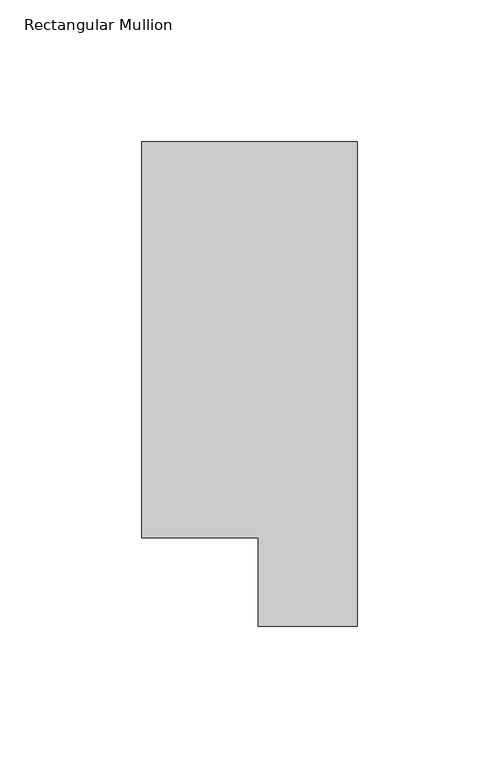
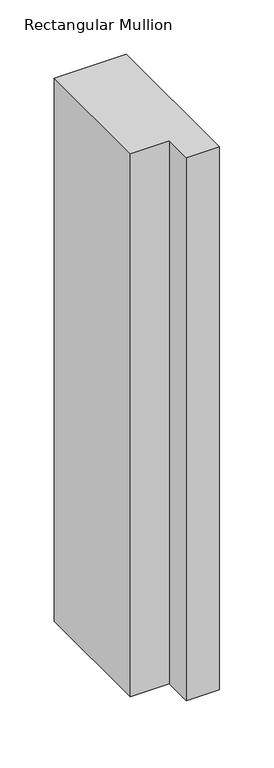
"""IFC4 building model written with IfcOpenShell, lengths in millimetres: member geometry, Rectangular Mullion."""

from ifc_helpers import new_model, si_unit, frame, origin, place, context, project, spatial, polyline, outline, extrude, source, transform, mapped, element, save


def rectangular_mullion_b656e107(model_context):
    return source(origin(), model_context, "Body", "SweptSolid", [
        extrude(outline(polyline([(-76.2, 190.7881317), (0.0, 190.7881317), (0.0, 19.5667317), (-34.9123, 19.5667317), (-34.9123, 50.8087306), (-76.2, 50.8087306), (-76.2, 190.7881317)])), frame((0.0, 0.0, -609.56825), z_axis=(0.0, 0.0, 1.0), x_axis=(1.0, 0.0, 0.0)), (0.0, 0.0, 1.0), 609.56825),
    ])


if __name__ == "__main__":
    model = new_model("IFC4")
    model_context = context("Model", 3, world=origin())
    ifc_project = project(units=[si_unit("LENGTHUNIT", "METRE", prefix="MILLI")], contexts=[model_context])
    site = spatial("IfcSite", under=ifc_project)
    building = spatial("IfcBuilding", under=site)
    placement = place(None, origin())
    rectangular_mullion_shape = rectangular_mullion_b656e107(model_context)
    element("IfcMember", 1, ObjectType="Rectangular Mullion", at=placement, inside=building, context=model_context, shape_type="MappedRepresentation", body=[
        mapped(rectangular_mullion_shape, transform((0.0, 0.0, 0.0), x_axis=(1.0, 0.0, 0.0), y_axis=(0.0, 1.0, 0.0), z_axis=(0.0, 0.0, 1.0))),
    ])
    save(model, "model.ifc")
